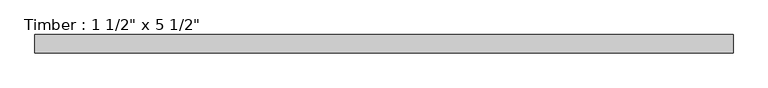
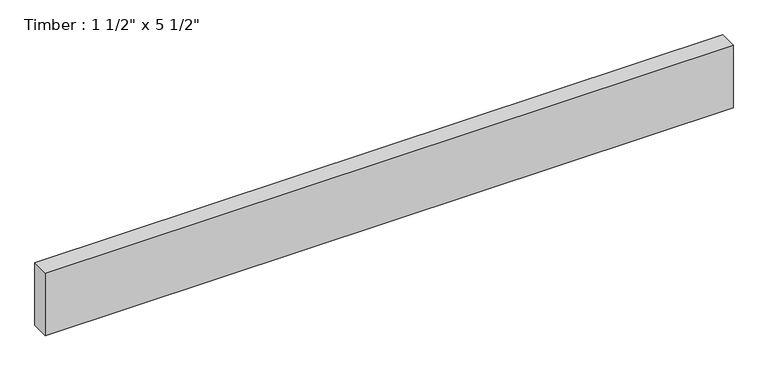
"""IFC4 building model written with IfcOpenShell, lengths in millimetres: beam geometry."""

from ifc_helpers import new_model, si_unit, frame, origin, place, context, project, spatial, polyline, outline, extrude, source, transform, mapped, element, save


def beam_3e854a4c(model_context):
    return source(origin(), model_context, "Body", "SweptSolid", [
        extrude(outline(polyline([(725.3853641, -19.05), (-725.3853641, -19.05), (-725.3853641, 19.05), (725.3853641, 19.05), (725.3853641, -19.05)])), frame((0.0, 0.0, -69.85), z_axis=(0.0, 0.0, 1.0), x_axis=(1.0, 0.0, 0.0)), (0.0, 0.0, 1.0), 139.7),
    ])


if __name__ == "__main__":
    model = new_model("IFC4")
    model_context = context("Model", 3, world=origin())
    ifc_project = project(units=[si_unit("LENGTHUNIT", "METRE", prefix="MILLI")], contexts=[model_context])
    site = spatial("IfcSite", under=ifc_project)
    building = spatial("IfcBuilding", under=site)
    placement = place(None, origin())
    beam_shape = beam_3e854a4c(model_context)
    element("IfcBeam", 1, ObjectType="Timber : 1 1/2\" x 5 1/2\"", at=placement, inside=building, context=model_context, shape_type="MappedRepresentation", body=[
        mapped(beam_shape, transform((0.0, 0.0, 0.0), x_axis=(1.0, 0.0, 0.0), y_axis=(0.0, 1.0, 0.0), z_axis=(0.0, 0.0, 1.0))),
    ])
    save(model, "model.ifc")
